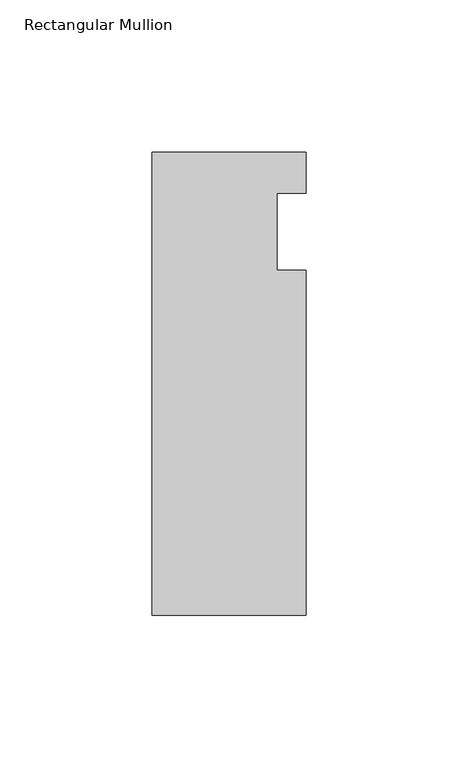
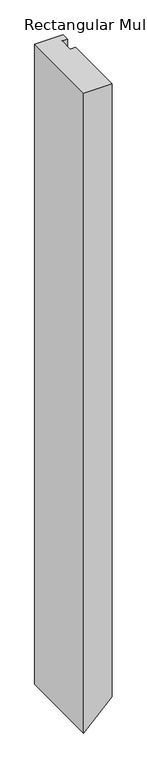
"""IFC4 building model written with IfcOpenShell, lengths in millimetres: member geometry, Rectangular Mullion."""

from ifc_helpers import new_model, si_unit, origin, place, context, project, spatial, faceted_brep, source, transform, mapped, element, save


def rectangular_mullion_7e5eb16d(model_context):
    return source(origin(), model_context, "Body", "Brep", [
        faceted_brep([(-25.4, 26.19375, 0.0), (-25.4, -126.20625, 0.0), (25.4, -126.20625, 0.0), (25.4, -12.7, 0.0), (15.875, -12.7, 0.0), (15.875, 12.7, 0.0), (25.4, 12.7, 0.0), (25.4, 26.19375, 0.0), (-25.4, 26.19375, -1212.85), (-25.4, -126.20625, -1212.85), (25.4, -126.20625, -1162.05), (25.4, -12.7, -1162.05), (15.875, -12.7, -1171.575), (15.875, 12.7, -1171.575), (25.4, 12.7, -1162.05), (25.4, 26.19375, -1162.05)], [[[0, 1, 2, 3, 4, 5, 6, 7]], [[1, 0, 8, 9]], [[2, 1, 9, 10]], [[3, 2, 10, 11]], [[4, 3, 11, 12]], [[5, 4, 12, 13]], [[6, 5, 13, 14]], [[7, 6, 14, 15]], [[0, 7, 15, 8]], [[8, 15, 14, 13, 12, 11, 10, 9]]]),
    ])


if __name__ == "__main__":
    model = new_model("IFC4")
    model_context = context("Model", 3, world=origin())
    ifc_project = project(units=[si_unit("LENGTHUNIT", "METRE", prefix="MILLI")], contexts=[model_context])
    site = spatial("IfcSite", under=ifc_project)
    building = spatial("IfcBuilding", under=site)
    placement = place(None, origin())
    rectangular_mullion_shape = rectangular_mullion_7e5eb16d(model_context)
    element("IfcMember", 1, ObjectType="Rectangular Mullion", at=placement, inside=building, context=model_context, shape_type="MappedRepresentation", body=[
        mapped(rectangular_mullion_shape, transform((0.0, 0.0, 0.0), x_axis=(1.0, 0.0, 0.0), y_axis=(0.0, 1.0, 0.0), z_axis=(0.0, 0.0, 1.0))),
    ])
    save(model, "model.ifc")
